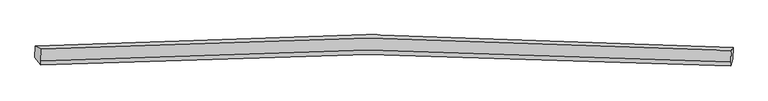
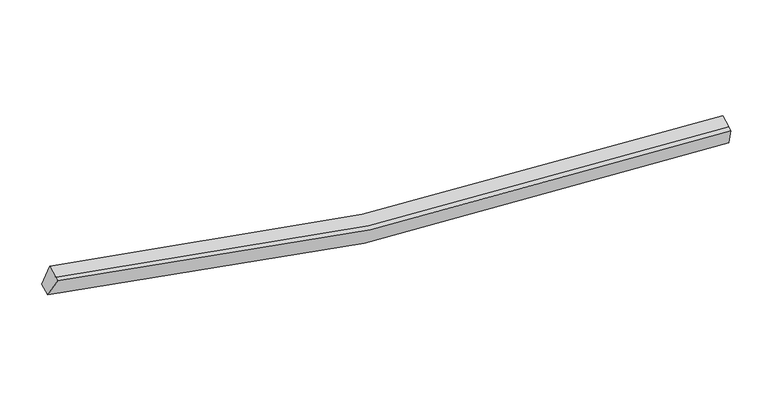
"""IFC4 building model written with IfcOpenShell, lengths in millimetres: proxy geometry."""

from ifc_helpers import new_model, si_unit, frame, origin, place, context, project, spatial, source, transform, mapped, element, save
from ifc_brep_helpers import plane_surface, spline_curve, spline_surface, advanced_brep


def generic_models_c7d1e9e4(model_context):
    return source(origin(), model_context, "Body", "AdvancedBrep", [
        advanced_brep(
        [(-11785.6742508, -1870.8921664, 4571.9321218), (-11570.7266077, -1981.8374846, 5247.4376975), (12952.2099487, -2025.7428609, 2486.5844295), (13014.6857857, -1915.2109336, 1780.3984777), (-11589.6833091, -2395.2444434, 5081.5943795), (12933.2369416, -2439.5054148, 2320.5984601), (-11596.0775493, -2534.6897701, 5025.6541609), (12926.8590071, -2578.5951464, 2264.8008929), (-11804.326622, -2277.662307, 4408.7512455), (12996.0334144, -2321.9810742, 1617.2176014)],
        [
            (0, 1),
            (1, 2, spline_curve(3, [(-11570.7266077, -1981.8374846, 5247.4376975), (-7727.187079155, -1718.601080969, 4169.301688364), (-3848.389876218, -1584.867773809, 3396.480765834), (4319.534476346, -1576.040086515, 2420.880670997), (8615.049459454, -1724.40851912, 2273.417171161), (12952.2099487, -2025.7428609, 2486.5844295)], [4, 2, 4], [0.0, 39.16893287285086, 81.73847602069105])),
            (2, 3),
            (3, 0, spline_curve(3, [(13014.6857857, -1915.2109336, 1780.3984777), (8627.656843292, -1610.152628051, 1563.648492823), (4283.162713198, -1459.96230228, 1712.169014195), (-3977.099723916, -1468.943943995, 2698.707572587), (-7899.392274462, -1604.361347386, 3480.698265664), (-11785.6742508, -1870.8921664, 4571.9321218)], [4, 2, 4], [0.0, 42.56954314784019, 81.73847602069105])),
            (1, 4),
            (4, 5, spline_curve(3, [(-11589.6833091, -2395.2444434, 5081.5943795), (-7746.560031916, -2141.085653685, 3999.816772672), (-3867.980862708, -2012.107202859, 3225.088380204), (4299.902141602, -2004.181225806, 2249.126555169), (8595.629721663, -2147.913334412, 2103.522974383), (12933.2369416, -2439.5054148, 2320.5984601)], [4, 2, 4], [0.0, 38.94841243415382, 81.27828976417437])),
            (5, 2),
            (4, 6),
            (6, 7, spline_curve(3, [(-11596.0775493, -2534.6897701, 5025.6541609), (-7753.354445533, -2289.257931527, 3940.375630509), (-3874.982438081, -2164.797272228, 3163.834869946), (4292.871032257, -2157.515361478, 2187.614668033), (8588.811211116, -2296.611145497, 2043.871006455), (12926.8590071, -2578.5951464, 2264.8008929)], [4, 2, 4], [0.0, 38.948407730850136, 81.27827994923055])),
            (7, 5),
            (6, 8),
            (8, 9, spline_curve(3, [(-11804.326622, -2277.662307, 4408.7512455), (-7918.861071033, -2028.936051731, 3310.374867972), (-3996.993717036, -1902.791297246, 2524.664337355), (4263.197841101, -1895.355432843, 1537.505671353), (8608.117165119, -2036.273109172, 1392.704987716), (12996.0334144, -2321.9810742, 1617.2176014)], [4, 2, 4], [0.0, 39.16892276565503, 81.73845492880206])),
            (9, 7),
            (8, 0),
            (3, 9),
        ],
        [
            spline_surface(3, 3, [[(-11785.6742508, -1870.8921664, 4571.9321218), (-7899.392274551, -1604.361346758, 3480.698265051), (-3977.099724501, -1468.943943682, 2698.707572274), (4283.162713833, -1459.962302619, 1712.169014536), (8627.656842665, -1610.152628073, 1563.64849261), (13014.6857857, -1915.2109336, 1780.3984777)], [(-11714.025036451, -1907.873939133, 4797.100647037), (-7841.99054262, -1642.441258274, 3710.232739383), (-3934.196441656, -1507.58522034, 2931.298636592), (4295.286634628, -1498.654897287, 1948.40623357), (8623.454381436, -1648.237925274, 1800.238052337), (12993.860506721, -1952.054909358, 2015.793794974)], [(-11642.375822049, -1944.855711867, 5022.269172263), (-7784.588810636, -1680.521169793, 3939.767213704), (-3891.29315888, -1546.226497027, 3163.889700918), (4307.410555353, -1537.347491983, 2184.643452612), (8619.251920144, -1686.3232225, 2036.827612043), (12973.035227679, -1988.898885142, 2251.189112226)], [(-11570.7266077, -1981.8374846, 5247.4376975), (-7727.187078705, -1718.601081309, 4169.301688035), (-3848.389876035, -1584.867773685, 3396.480765236), (4319.534476147, -1576.04008665, 2420.880671647), (8615.049458915, -1724.408519701, 2273.41717177), (12952.2099487, -2025.7428609, 2486.5844295)]], [4, 4], [4, 2, 4], [0.0, 2.354005213541691], [0.0, 39.16893287285086, 81.73847602069105]),
            spline_surface(3, 3, [[(-11570.7266077, -1981.8374846, 5247.4376975), (-7727.187078705, -1718.601081309, 4169.301688035), (-3848.389876035, -1584.867773685, 3396.480765236), (4319.534476147, -1576.04008665, 2420.880671647), (8615.049458915, -1724.408519701, 2273.41717177), (12952.2099487, -2025.7428609, 2486.5844295)], [(-11577.045508147, -2119.639804192, 5192.156591506), (-7733.644729938, -1859.429272292, 4112.806716284), (-3854.920204956, -1727.280916698, 3339.349970362), (4312.990364637, -1718.753799788, 2363.629299347), (8608.576213344, -1865.576791376, 2216.785772439), (12945.885613003, -2163.663712197, 2431.255773046)], [(-11583.364408653, -2257.442123808, 5136.875485494), (-7740.102381229, -2000.257463298, 4056.311744515), (-3861.450533837, -1869.694059658, 3282.219175476), (4306.446253167, -1861.467512873, 2306.377927036), (8602.102967764, -2006.74506306, 2160.154373072), (12939.561277297, -2301.584563503, 2375.927116554)], [(-11589.6833091, -2395.2444434, 5081.5943795), (-7746.560032461, -2141.08565428, 3999.816772763), (-3867.980862759, -2012.107202671, 3225.088380602), (4299.902141657, -2004.181226011, 2249.126554736), (8595.629722193, -2147.913334736, 2103.522973742), (12933.2369416, -2439.5054148, 2320.5984601)]], [4, 4], [4, 2, 4], [0.0, 1.5132960227776404], [0.0, 38.94841243415382, 81.27828976417437]),
            spline_surface(3, 3, [[(-11589.6833091, -2395.2444434, 5081.5943795), (-7746.560032461, -2141.08565428, 3999.816772763), (-3867.980862759, -2012.107202671, 3225.088380602), (4299.902141657, -2004.181226011, 2249.126554736), (8595.629722193, -2147.913334736, 2103.522973742), (12933.2369416, -2439.5054148, 2320.5984601)], [(-11591.814722514, -2441.726218976, 5062.947639953), (-7748.824836786, -2190.47641332, 3980.003058497), (-3870.314721272, -2063.003892605, 3204.67054352), (4297.558438644, -2055.292604392, 2228.622592727), (8593.356885118, -2197.479271654, 2083.638984701), (12931.110963436, -2485.86865867, 2301.999271014)], [(-11593.946135886, -2488.207994524, 5044.300900447), (-7751.089641069, -2239.867172334, 3960.189344271), (-3872.648579844, -2113.900582567, 3184.252706422), (4295.214735572, -2106.4039828, 2208.118630702), (8591.084048036, -2247.045208562, 2063.75499572), (12928.984985264, -2532.23190253, 2283.400081986)], [(-11596.0775493, -2534.6897701, 5025.6541609), (-7753.354445394, -2289.257931374, 3940.375630005), (-3874.982438358, -2164.797272502, 3163.83486934), (4292.871032558, -2157.515361181, 2187.614668692), (8588.811210961, -2296.61114548, 2043.87100668), (12926.8590071, -2578.5951464, 2264.8008929)]], [4, 4], [4, 2, 4], [0.0, 0.5413966020905753], [0.0, 38.948407730850136, 81.27827994923055]),
            spline_surface(3, 3, [[(-11596.0775493, -2534.6897701, 5025.6541609), (-7753.354445394, -2289.257931374, 3940.375630005), (-3874.982438358, -2164.797272502, 3163.83486934), (4292.871032558, -2157.515361181, 2187.614668692), (8588.811210961, -2296.61114548, 2043.87100668), (12926.8590071, -2578.5951464, 2264.8008929)], [(-11665.49390687, -2449.013949078, 4820.019855789), (-7808.523320546, -2202.483971569, 3730.375375799), (-3915.652864424, -2077.461947555, 2950.778025147), (4282.979968543, -2070.128718225, 1970.911669783), (8595.246528969, -2209.83179999, 1826.815667079), (12949.917142858, -2493.057122353, 2048.939795752)], [(-11734.91026443, -2363.338128021, 4614.385550611), (-7863.692195688, -2115.710011728, 3520.375121526), (-3956.323290458, -1990.126622646, 2737.72118097), (4273.088904559, -1982.742075307, 1754.20867089), (8601.681847002, -2123.052454442, 1609.760327422), (12972.975278642, -2407.519098247, 1833.078698548)], [(-11804.326622, -2277.662307, 4408.7512455), (-7918.86107084, -2028.936051923, 3310.374867321), (-3996.993716524, -1902.791297699, 2524.664336778), (4263.197840544, -1895.355432351, 1537.505671981), (8608.11716501, -2036.273108952, 1392.704987821), (12996.0334144, -2321.9810742, 1617.2176014)]], [4, 4], [4, 2, 4], [0.0, 2.2965603828598553], [0.0, 39.16892276565503, 81.73845492880206]),
            spline_surface(3, 3, [[(-11804.326622, -2277.662307, 4408.7512455), (-7918.86107084, -2028.936051923, 3310.374867321), (-3996.993716523, -1902.791297699, 2524.664336778), (4263.197840544, -1895.355432351, 1537.505671981), (8608.11716501, -2036.273108952, 1392.704987821), (12996.0334144, -2321.9810742, 1617.2176014)], [(-11798.109164918, -2142.072260122, 4463.144870915), (-7912.371472062, -1887.411150189, 3367.149333213), (-3990.362385868, -1758.175513041, 2582.678748609), (4269.852798289, -1750.224389121, 1595.726786165), (8614.630390877, -1894.232948647, 1449.686156066), (13002.250871482, -2186.391027322, 1671.611226815)], [(-11791.891707882, -2006.482213278, 4517.538496385), (-7905.881873329, -1745.886248491, 3423.923799159), (-3983.731055156, -1613.55972834, 2640.693160443), (4276.507756089, -1605.093345849, 1653.947900352), (8621.143616798, -1752.192788378, 1506.667324365), (13008.468328618, -2050.800980478, 1726.004852285)], [(-11785.6742508, -1870.8921664, 4571.9321218), (-7899.392274551, -1604.361346758, 3480.698265051), (-3977.099724501, -1468.943943682, 2698.707572274), (4283.162713833, -1459.962302619, 1712.169014536), (8627.656842665, -1610.152628073, 1563.64849261), (13014.6857857, -1915.2109336, 1780.3984777)]], [4, 4], [4, 2, 4], [0.0, 1.5378261495962595], [0.0, 39.38939631100368, 82.19854332738512]),
            plane_surface(frame((12972.447039, -2210.3825038, 2037.2503504), z_axis=(0.9941964490718286, -0.0760953090826448, 0.07604554285810583), x_axis=(0.09882058181974718, 0.3665915316317071, -0.9251189877765594))),
            plane_surface(frame((-11689.2012575, -2166.270432, 4813.4438064), z_axis=(-0.9537749341081998, -0.0731926215135201, 0.29147249479646903), x_axis=(-0.04251956328296776, -0.9272648774064178, -0.3719837817253418))),
        ],
        [
            (0, [[1, 2, 3, 4]]),
            (1, [[5, 6, 7, -2]]),
            (2, [[8, 9, 10, -6]]),
            (3, [[11, 12, 13, -9]]),
            (4, [[14, -4, 15, -12]]),
            (5, [[-13, -15, -3, -7, -10]]),
            (6, [[-14, -11, -8, -5, -1]]),
        ],
    ),
    ])


if __name__ == "__main__":
    model = new_model("IFC4")
    model_context = context("Model", 3, world=origin())
    ifc_project = project(units=[si_unit("LENGTHUNIT", "METRE", prefix="MILLI")], contexts=[model_context])
    site = spatial("IfcSite", under=ifc_project)
    building = spatial("IfcBuilding", under=site)
    placement = place(None, origin())
    generic_models_shape = generic_models_c7d1e9e4(model_context)
    element("IfcBuildingElementProxy", 1, Name="Generic Models", at=placement, inside=building, context=model_context, shape_type="MappedRepresentation", body=[
        mapped(generic_models_shape, transform((0.0, 0.0, 0.0), x_axis=(1.0, 0.0, 0.0), y_axis=(0.0, 1.0, 0.0), z_axis=(0.0, 0.0, 1.0))),
    ])
    save(model, "model.ifc")
